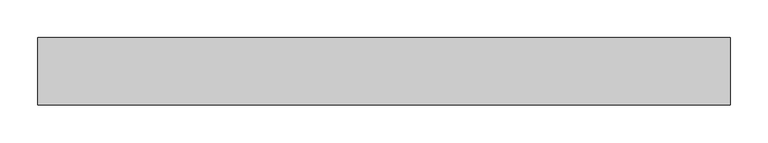
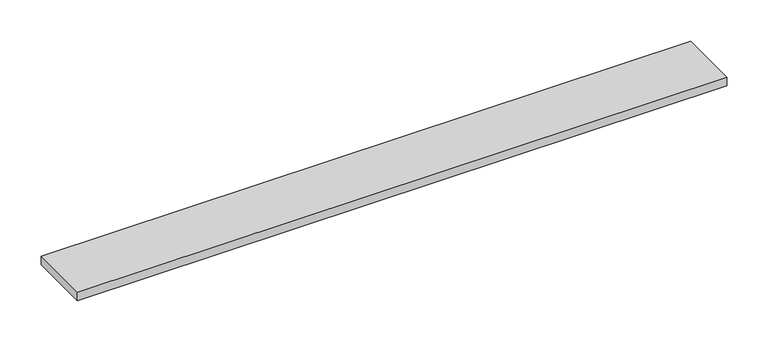
"""IFC4 building model written with IfcOpenShell, lengths in millimetres: furniture geometry."""

from ifc_helpers import new_model, si_unit, frame, origin, place, context, project, spatial, polyline, outline, extrude, source, transform, mapped, element, save


def furniture_555d84d2(model_context):
    return source(origin(), model_context, "Body", "SweptSolid", [
        extrude(outline(polyline([(553.61205, 38.735), (553.61205, -50.165), (-360.78795, -50.165), (-360.78795, 38.735), (553.61205, 38.735)])), frame((0.0, 0.0, 1168.4), z_axis=(0.0, 0.0, 1.0), x_axis=(1.0, 0.0, 0.0)), (0.0, 0.0, 1.0), 12.7),
    ])


if __name__ == "__main__":
    model = new_model("IFC4")
    model_context = context("Model", 3, world=origin())
    ifc_project = project(units=[si_unit("LENGTHUNIT", "METRE", prefix="MILLI")], contexts=[model_context])
    site = spatial("IfcSite", under=ifc_project)
    building = spatial("IfcBuilding", under=site)
    placement = place(None, origin())
    furniture_shape = furniture_555d84d2(model_context)
    element("IfcFurniture", 1, at=placement, inside=building, context=model_context, shape_type="MappedRepresentation", body=[
        mapped(furniture_shape, transform((0.0, 0.0, 0.0), x_axis=(1.0, 0.0, 0.0), y_axis=(0.0, 1.0, 0.0), z_axis=(0.0, 0.0, 1.0))),
    ])
    save(model, "model.ifc")
